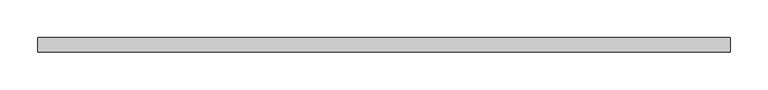
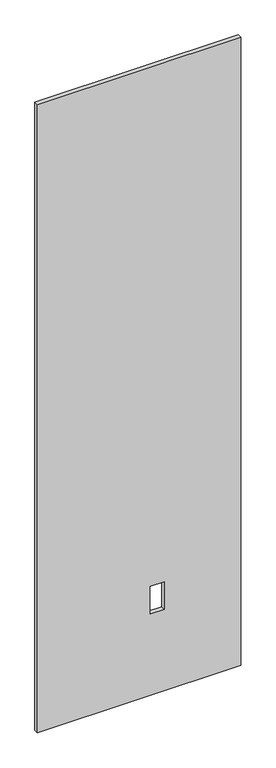
"""IFC4 building model written with IfcOpenShell, lengths in millimetres: proxy geometry."""

from ifc_helpers import new_model, si_unit, frame, origin, place, context, project, spatial, polyline, outline, extrude, source, transform, mapped, element, save


def specialty_equipment_19a61547(model_context):
    return source(origin(), model_context, "Body", "SweptSolid", [
        extrude(outline(polyline([(2999.5368001, 458.4954), (2999.5368001, -458.4954), (3.175, -458.4954), (3.175, 458.4954), (2999.5368001, 458.4954)]), holes=[polyline([(522.478, 112.8268), (391.922, 112.8268), (391.922, 51.3588), (522.478, 51.3588), (522.478, 112.8268)])]), frame((0.0, -9.525, 0.0), z_axis=(0.0, 1.0, 0.0), x_axis=(0.0, 0.0, 1.0)), (0.0, 0.0, 1.0), 19.05),
    ])


if __name__ == "__main__":
    model = new_model("IFC4")
    model_context = context("Model", 3, world=origin())
    ifc_project = project(units=[si_unit("LENGTHUNIT", "METRE", prefix="MILLI")], contexts=[model_context])
    site = spatial("IfcSite", under=ifc_project)
    building = spatial("IfcBuilding", under=site)
    placement = place(None, origin())
    specialty_equipment_shape = specialty_equipment_19a61547(model_context)
    element("IfcBuildingElementProxy", 1, Name="Specialty Equipment", at=placement, inside=building, context=model_context, shape_type="MappedRepresentation", body=[
        mapped(specialty_equipment_shape, transform((0.0, 0.0, 0.0), x_axis=(1.0, 0.0, 0.0), y_axis=(0.0, 1.0, 0.0), z_axis=(0.0, 0.0, 1.0))),
    ])
    save(model, "model.ifc")
